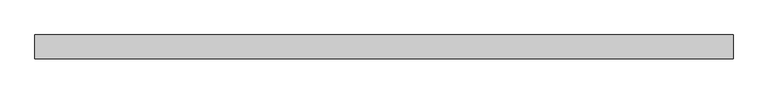
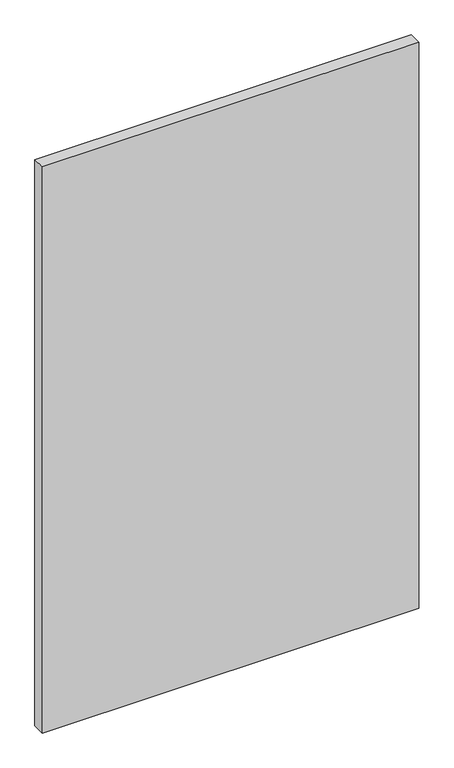
"""IFC4 building model written with IfcOpenShell, lengths in millimetres: plate geometry."""

from ifc_helpers import new_model, si_unit, origin, origin_with_axes, place, context, project, spatial, polyline, outline, extrude, source, transform, mapped, element, save


def plate_3ad9e28f(model_context):
    return source(origin(), model_context, "Body", "SweptSolid", [
        extrude(outline(polyline([(516.7291667, -17.5), (-516.7291667, -17.5), (-516.7291667, 17.5), (516.7291667, 17.5), (516.7291667, -17.5)])), origin_with_axes(), (0.0, 0.0, 1.0), 1643.8125),
    ])


if __name__ == "__main__":
    model = new_model("IFC4")
    model_context = context("Model", 3, world=origin())
    ifc_project = project(units=[si_unit("LENGTHUNIT", "METRE", prefix="MILLI")], contexts=[model_context])
    site = spatial("IfcSite", under=ifc_project)
    building = spatial("IfcBuilding", under=site)
    placement = place(None, origin())
    plate_shape = plate_3ad9e28f(model_context)
    element("IfcPlate", 1, at=placement, inside=building, context=model_context, shape_type="MappedRepresentation", body=[
        mapped(plate_shape, transform((0.0, 0.0, 0.0), x_axis=(1.0, 0.0, 0.0), y_axis=(0.0, 1.0, 0.0), z_axis=(0.0, 0.0, 1.0))),
    ])
    save(model, "model.ifc")
